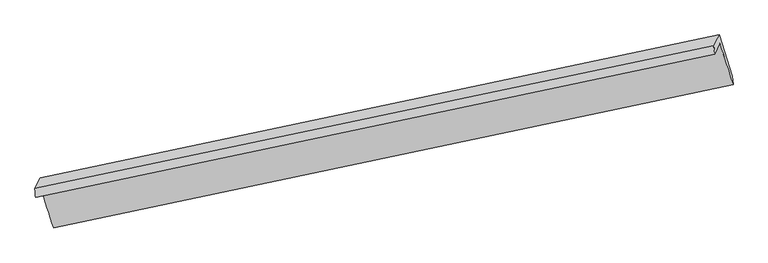
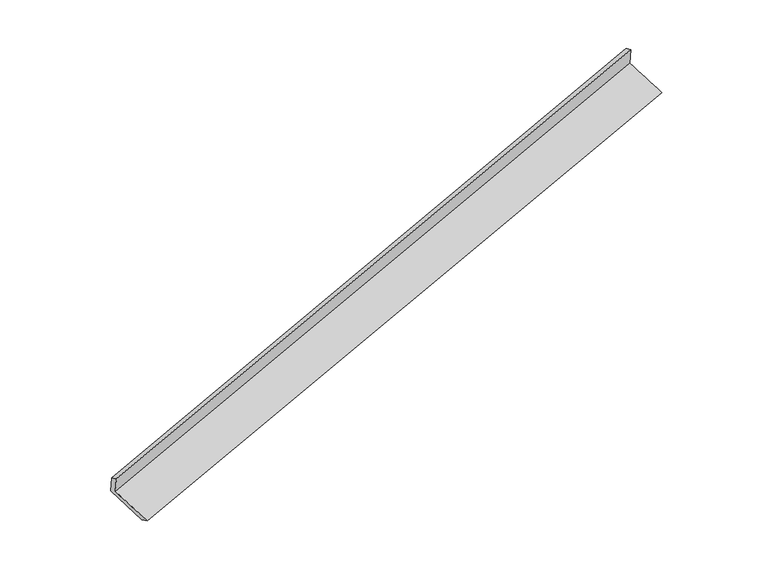
"""IFC4 building model written with IfcOpenShell, lengths in millimetres: proxy geometry."""

from ifc_helpers import new_model, si_unit, frame, origin, place, context, project, spatial, source, transform, mapped, element, save
from ifc_brep_helpers import plane_surface, spline_surface, advanced_brep


def generic_models_8f53abc9(model_context):
    return source(origin(), model_context, "Body", "AdvancedBrep", [
        advanced_brep(
        [(-8460.1640522, -2623.9926313, 674.8004277), (-8380.9797762, -2455.3283143, 291.6453533), (2581.6442746, -138.5517424, 3531.8279887), (2498.742935, -315.1334897, 3932.9691059), (-8470.7795254, -2485.0763888, 614.6295988), (2486.7825573, -178.2826899, 3877.1709957), (-8388.1439177, -2309.0606563, 214.7742987), (2570.3474309, -0.2875998, 3472.8191849), (-8180.6268565, -2965.1056388, -31.1295061), (2785.0079455, -669.2027694, 3222.7262352), (-8170.4957236, -3120.7531514, 42.2257196), (2796.4335461, -807.8681383, 3281.5850292)],
        [
            (0, 1),
            (1, 2),
            (2, 3),
            (3, 0),
            (4, 0),
            (3, 5),
            (5, 4),
            (6, 4),
            (5, 7),
            (7, 6),
            (8, 6),
            (7, 9),
            (9, 8),
            (10, 8),
            (9, 11),
            (11, 10),
            (1, 10),
            (11, 2),
        ],
        [
            plane_surface(frame((-8420.5719142, -2539.6604728, 483.2228905), z_axis=(0.28860102236941765, -0.8968714805163586, -0.33515816762197825), x_axis=(0.18585317926126957, 0.3958715181035706, -0.8993021388348039))),
            spline_surface(1, 1, [[(-8470.7795254, -2485.0763888, 614.6295988), (2486.7825573, -178.2826899, 3877.1709957)], [(-8460.1640522, -2623.9926313, 674.8004277), (2498.742935, -315.1334897, 3932.9691059)]], [2, 2], [2, 2], [0.0, 1.0], [0.0, 1.0]),
            plane_surface(frame((-8429.4617215, -2397.0685225, 414.7019488), z_axis=(-0.2886011235641181, 0.896871459264438, 0.33515813735370703), x_axis=(-0.1858531792613147, -0.3958715181036431, 0.8993021388347626))),
            spline_surface(1, 1, [[(-8180.6268565, -2965.1056388, -31.1295061), (2785.0079455, -669.2027694, 3222.7262352)], [(-8388.1439177, -2309.0606563, 214.7742987), (2570.3474309, -0.2875998, 3472.8191849)]], [2, 2], [2, 2], [0.0, 1.0], [0.0, 1.0]),
            spline_surface(1, 1, [[(-8170.4957236, -3120.7531514, 42.2257196), (2796.4335461, -807.8681383, 3281.5850292)], [(-8180.6268565, -2965.1056388, -31.1295061), (2785.0079455, -669.2027694, 3222.7262352)]], [2, 2], [2, 2], [0.0, 1.0], [0.0, 1.0]),
            spline_surface(1, 1, [[(-8380.9797762, -2455.3283143, 291.6453533), (2581.6442746, -138.5517424, 3531.8279887)], [(-8170.4957236, -3120.7531514, 42.2257196), (2796.4335461, -807.8681383, 3281.5850292)]], [2, 2], [2, 2], [0.0, 1.0], [0.0, 1.0]),
            plane_surface(frame((2619.8264482, -351.5544049, 3553.1830899), z_axis=(0.9394643948693737, 0.19654482950767296, 0.2806720163580997), x_axis=(-0.2878632427580541, 0.8970261262349734, 0.3353787147698783))),
            plane_surface(frame((-8341.8649753, -2659.8861301, 301.1576487), z_axis=(-0.9406405441990332, -0.1928533375697653, -0.279290094341258), x_axis=(-0.18585317926121414, -0.39587151810356536, 0.8993021388348176))),
        ],
        [
            (0, [[1, 2, 3, 4]]),
            (1, [[5, -4, 6, 7]]),
            (2, [[8, -7, 9, 10]]),
            (3, [[11, -10, 12, 13]]),
            (4, [[14, -13, 15, 16]]),
            (5, [[17, -16, 18, -2]]),
            (6, [[-12, -9, -6, -3, -18, -15]]),
            (7, [[-1, -5, -8, -11, -14, -17]]),
        ],
    ),
    ])


if __name__ == "__main__":
    model = new_model("IFC4")
    model_context = context("Model", 3, world=origin())
    ifc_project = project(units=[si_unit("LENGTHUNIT", "METRE", prefix="MILLI")], contexts=[model_context])
    site = spatial("IfcSite", under=ifc_project)
    building = spatial("IfcBuilding", under=site)
    placement = place(None, origin())
    generic_models_shape = generic_models_8f53abc9(model_context)
    element("IfcBuildingElementProxy", 1, Name="Generic Models", at=placement, inside=building, context=model_context, shape_type="MappedRepresentation", body=[
        mapped(generic_models_shape, transform((0.0, 0.0, 0.0), x_axis=(1.0, 0.0, 0.0), y_axis=(0.0, 1.0, 0.0), z_axis=(0.0, 0.0, 1.0))),
    ])
    save(model, "model.ifc")
